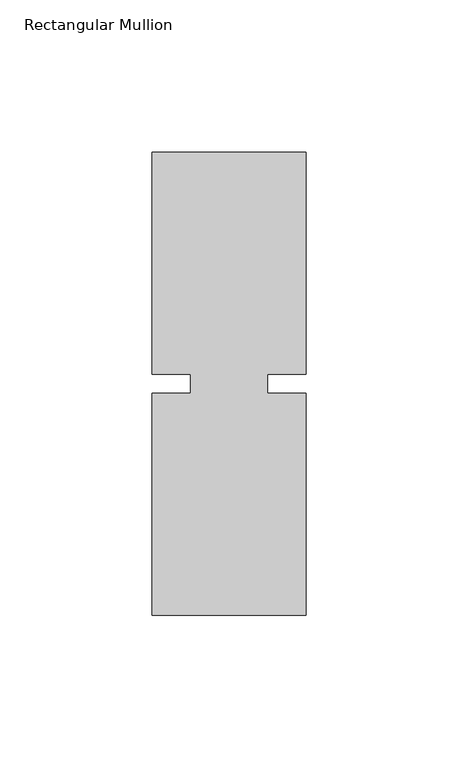
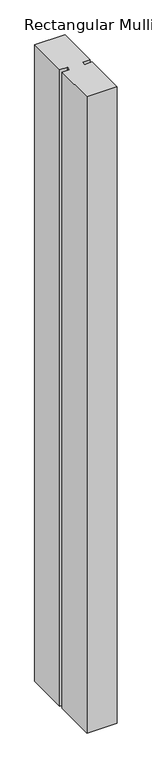
"""IFC4 building model written with IfcOpenShell, lengths in millimetres: member geometry, Rectangular Mullion."""

from ifc_helpers import new_model, si_unit, frame, origin, place, context, project, spatial, polyline, outline, extrude, source, transform, mapped, element, save


def rectangular_mullion_72e0f699(model_context):
    return source(origin(), model_context, "Body", "SweptSolid", [
        extrude(outline(polyline([(29.7344027, 76.2), (29.7344027, 3.175), (17.0326322, 3.175), (17.0326322, -3.175), (29.7344027, -3.175), (29.7344027, -76.2), (-21.0655973, -76.2), (-21.0655973, -3.175), (-8.3655973, -3.175), (-8.3655973, 3.175), (-21.0655973, 3.175), (-21.0655973, 76.2), (29.7344027, 76.2)])), frame((0.0, 0.0, -1130.3), z_axis=(0.0, 0.0, 1.0), x_axis=(1.0, 0.0, 0.0)), (0.0, 0.0, 1.0), 1130.3),
    ])


if __name__ == "__main__":
    model = new_model("IFC4")
    model_context = context("Model", 3, world=origin())
    ifc_project = project(units=[si_unit("LENGTHUNIT", "METRE", prefix="MILLI")], contexts=[model_context])
    site = spatial("IfcSite", under=ifc_project)
    building = spatial("IfcBuilding", under=site)
    placement = place(None, origin())
    rectangular_mullion_shape = rectangular_mullion_72e0f699(model_context)
    element("IfcMember", 1, ObjectType="Rectangular Mullion", at=placement, inside=building, context=model_context, shape_type="MappedRepresentation", body=[
        mapped(rectangular_mullion_shape, transform((0.0, 0.0, 0.0), x_axis=(1.0, 0.0, 0.0), y_axis=(0.0, 1.0, 0.0), z_axis=(0.0, 0.0, 1.0))),
    ])
    save(model, "model.ifc")
